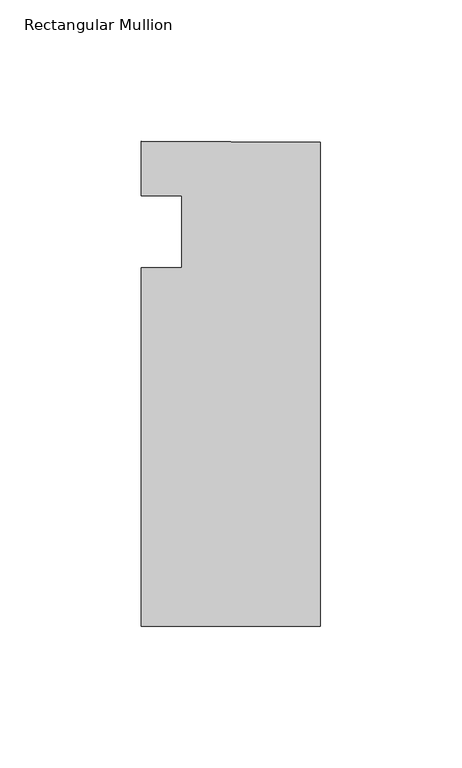
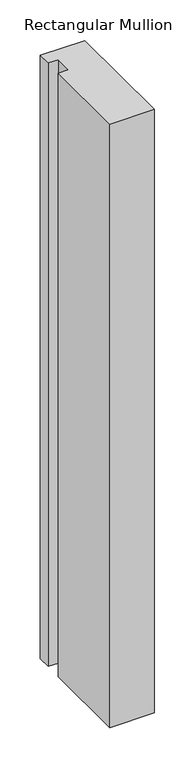
"""IFC4 building model written with IfcOpenShell, lengths in millimetres: member geometry, Rectangular Mullion."""

from ifc_helpers import new_model, si_unit, frame, origin, place, context, project, spatial, polyline, outline, extrude, source, transform, mapped, element, save


def rectangular_mullion_c5ec83be(model_context):
    return source(origin(), model_context, "Body", "SweptSolid", [
        extrude(outline(polyline([(-63.454026, -139.7014045), (-63.454026, -12.7013791), (-49.166526, -12.7014045), (-49.166526, 12.6985955), (-63.454026, 12.6985955), (-63.3922134, 32.0719397), (0.0, 31.75), (0.0, -139.7014045), (-63.454026, -139.7014045)])), frame((0.0, 0.0, -912.1117629), z_axis=(0.0, 0.0, 1.0), x_axis=(1.0, 0.0, 0.0)), (0.0, 0.0, 1.0), 912.1117629),
    ])


if __name__ == "__main__":
    model = new_model("IFC4")
    model_context = context("Model", 3, world=origin())
    ifc_project = project(units=[si_unit("LENGTHUNIT", "METRE", prefix="MILLI")], contexts=[model_context])
    site = spatial("IfcSite", under=ifc_project)
    building = spatial("IfcBuilding", under=site)
    placement = place(None, origin())
    rectangular_mullion_shape = rectangular_mullion_c5ec83be(model_context)
    element("IfcMember", 1, ObjectType="Rectangular Mullion", at=placement, inside=building, context=model_context, shape_type="MappedRepresentation", body=[
        mapped(rectangular_mullion_shape, transform((0.0, 0.0, 0.0), x_axis=(1.0, 0.0, 0.0), y_axis=(0.0, 1.0, 0.0), z_axis=(0.0, 0.0, 1.0))),
    ])
    save(model, "model.ifc")
